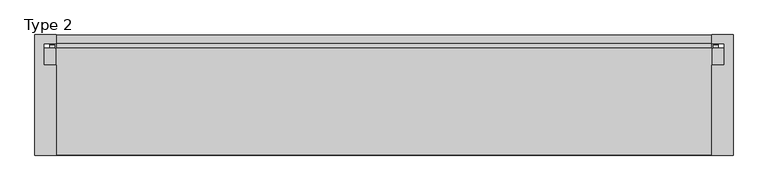
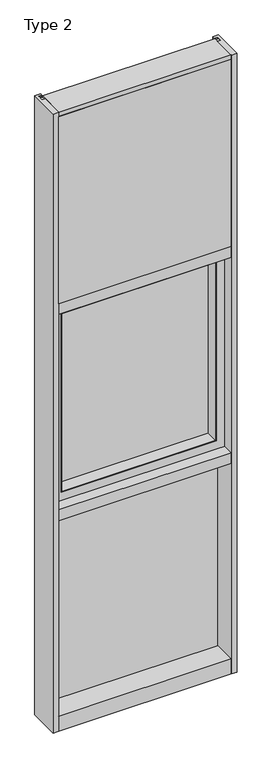
"""IFC4 building model written with IfcOpenShell, lengths in millimetres: plate geometry, Type 2."""

from ifc_helpers import new_model, si_unit, point, frame, frame_2d, origin, place, context, project, spatial, polyline, circle_curve, trimmed, segment, composite_curve, outline, extrude, faceted_brep, source, transform, mapped, element, save


def type_2_b6935525(model_context):
    return source(origin(), model_context, "Body", "SolidModel", [
        extrude(outline(composite_curve([segment(polyline([(-482.6765008, 34.0361122), (-483.0874462, 27.686), (-484.0539521, 27.686), (-484.0814595, 31.7563748)]), True, "CONTINUOUS"), segment(trimmed(circle_curve(frame_2d((-484.716445, 31.7520836)), 0.635), [point((-484.0814595, 31.7563748))], [point((-484.6813642, 32.3861138))], True, "CARTESIAN"), True, "CONTINUOUS"), segment(polyline([(-484.6813642, 32.3861138), (-491.4367251, 32.7598869)]), True, "CONTINUOUS"), segment(trimmed(circle_curve(frame_2d((-491.2541718, 33.7593519)), 1.016), [point((-491.4367251, 32.7598869))], [point((-492.2317504, 34.0361122))], False, "CARTESIAN"), True, "CONTINUOUS"), segment(polyline([(-492.2317504, 34.0361122), (-482.6765008, 34.0361122)]), True, "CONTINUOUS")], self_intersect=False)), frame((0.0, 0.0, 2459.3728643), z_axis=(0.0, 0.0, 1.0), x_axis=(1.0, 0.0, 0.0)), (0.0, 0.0, 1.0), 1134.7271357),
        extrude(outline(composite_curve([segment(polyline([(483.0874462, 27.686), (482.6765008, 34.0361122), (492.2317504, 34.0361122)]), True, "CONTINUOUS"), segment(trimmed(circle_curve(frame_2d((491.2541718, 33.7593519)), 1.016), [point((492.2317504, 34.0361122))], [point((491.4367251, 32.7598869))], False, "CARTESIAN"), True, "CONTINUOUS"), segment(polyline([(491.4367251, 32.7598869), (484.6813642, 32.3861138)]), True, "CONTINUOUS"), segment(trimmed(circle_curve(frame_2d((484.716445, 31.7520836)), 0.635), [point((484.6813642, 32.3861138))], [point((484.0814595, 31.7563748))], True, "CARTESIAN"), True, "CONTINUOUS"), segment(polyline([(484.0814595, 31.7563748), (484.0539521, 27.686), (483.0874462, 27.686)]), True, "CONTINUOUS")], self_intersect=False)), frame((0.0, 0.0, 2459.3728643), z_axis=(0.0, 0.0, 1.0), x_axis=(1.0, 0.0, 0.0)), (0.0, 0.0, 1.0), 1134.7271357),
        extrude(outline(polyline([(34.0361122, 2459.3728643), (27.686, 2459.3728643), (27.686, 2471.8771952), (34.0361122, 2470.1238955), (34.0361122, 2459.3728643)])), frame((-492.2317504, 0.0, 0.0), z_axis=(1.0, 0.0, 0.0), x_axis=(0.0, 1.0, 0.0)), (0.0, 0.0, 1.0), 984.4635007),
        extrude(outline(polyline([(482.6, -48.514), (482.6, -131.0159103), (-482.6, -131.0159103), (-482.6, -48.514), (482.6, -48.514)])), frame((0.0, 0.0, 2470.15), z_axis=(0.0, 0.0, 1.0), x_axis=(1.0, 0.0, 0.0)), (0.0, 0.0, 1.0), 1104.9),
        extrude(outline(polyline([(501.65, 27.686), (501.65, 2.286), (-501.65, 2.286), (-501.65, 27.686), (501.65, 27.686)])), frame((0.0, 0.0, 2451.1), z_axis=(0.0, 0.0, 1.0), x_axis=(1.0, 0.0, 0.0)), (0.0, 0.0, 1.0), 1143.0),
        extrude(outline(polyline([(-514.35, -130.5814), (-514.35, 47.2186), (-482.5989108, 47.2186), (-482.5989108, 34.036), (-501.65, 34.036), (-501.65, 2.286), (-482.6, 2.286), (-482.6, -130.5814), (-514.35, -130.5814)])), frame((0.0, 0.0, -57.15), z_axis=(0.0, 0.0, 1.0), x_axis=(1.0, 0.0, 0.0)), (0.0, 0.0, 1.0), 3657.6),
        extrude(outline(polyline([(514.35, -130.5814), (482.6, -130.5814), (482.6, 2.286), (501.65, 2.286), (501.65, 34.036), (482.5989108, 34.036), (482.5989108, 47.2186), (514.35, 47.2186), (514.35, -130.5814)])), frame((0.0, 0.0, -57.15), z_axis=(0.0, 0.0, 1.0), x_axis=(1.0, 0.0, 0.0)), (0.0, 0.0, 1.0), 3657.6),
        faceted_brep([(-449.2625, -63.4904804, 1284.2875), (449.2625, -63.4904804, 1284.2875), (449.2625, -63.4904804, 2373.3125), (-449.2625, -63.4904804, 2373.3125), (-431.00625, -63.4904804, 2355.05625), (431.00625, -63.4904804, 2355.05625), (431.00625, -63.4904804, 1302.54375), (-431.00625, -63.4904804, 1302.54375), (449.2625, -7.9279804, 1284.2875), (-449.2625, -7.9279804, 1284.2875), (-464.7836465, -7.9279804, 1268.7663535), (464.7836465, -7.9279804, 1268.7663535), (464.7836465, -7.9279804, 2388.8336465), (-464.7836465, -7.9279804, 2388.8336465), (-449.2625, -7.9279804, 2373.3125), (449.2625, -7.9279804, 2373.3125), (-482.6, -68.2529804, 1250.95), (482.6, -68.2529804, 1250.95), (482.6, -68.2529804, 2406.65), (-482.6, -68.2529804, 2406.65), (-434.18125, -68.2529804, 2358.23125), (434.18125, -68.2529804, 2358.23125), (434.18125, -68.2529804, 1299.36875), (-434.18125, -68.2529804, 1299.36875), (428.625, -68.2529804, 1304.925), (428.625, 1.5875, 1304.925), (-428.625, 1.5875, 1304.925), (-428.625, -68.2529804, 1304.925), (-431.00625, -68.2529804, 1302.54375), (431.00625, -68.2529804, 1302.54375), (431.00625, -68.2529804, 2355.05625), (-431.00625, -68.2529804, 2355.05625), (-428.625, -68.2529804, 2352.675), (428.625, -68.2529804, 2352.675), (464.7836465, -12.4174268, 2388.8336465), (464.7836465, -12.4174268, 1268.7663535), (466.725, -66.0939347, 2390.775), (466.725, -12.4174268, 2390.775), (466.725, -12.4174268, 1266.825), (466.725, -66.0939347, 1266.825), (434.18125, -66.0939347, 2358.23125), (434.18125, -66.0939347, 1299.36875), (-428.625, 1.5875, 2352.675), (428.625, 1.5875, 2352.675), (-464.7836465, -12.4174268, 1268.7663535), (-464.7836465, -12.4174268, 2388.8336465), (-434.18125, -66.0939347, 1299.36875), (-434.18125, -66.0939347, 2358.23125), (-457.21905, 1.5875, 1276.33095), (-457.21905, 26.9875, 1276.33095), (-457.21905, 26.9875, 2381.26905), (-457.21905, 1.5875, 2381.26905), (-482.6, 26.9875, 1250.95), (-482.6, 26.9875, 2406.65), (-466.725, -66.0939347, 1266.825), (-466.725, -12.4174268, 1266.825), (-466.725, -12.4174268, 2390.775), (-466.725, -66.0939347, 2390.775), (457.21905, 26.9875, 2381.26905), (457.21905, 1.5875, 2381.26905), (482.6, 26.9875, 2406.65), (457.21905, 26.9875, 1276.33095), (457.21905, 1.5875, 1276.33095), (482.6, 26.9875, 1250.95)], [[[0, 1, 2, 3], [4, 5, 6, 7]], [[8, 1, 0, 9]], [[10, 11, 12, 13], [14, 15, 8, 9]], [[16, 17, 18, 19], [20, 21, 22, 23]], [[24, 25, 26, 27]], [[28, 29, 30, 31], [32, 33, 24, 27]], [[6, 29, 28, 7]], [[34, 12, 11, 35]], [[36, 37, 38, 39]], [[21, 40, 41, 22]], [[32, 42, 43, 33]], [[14, 3, 2, 15]], [[44, 10, 13, 45]], [[23, 46, 47, 20]], [[48, 49, 50, 51]], [[27, 26, 42, 32]], [[7, 28, 31, 4]], [[52, 16, 19, 53]], [[9, 0, 3, 14]], [[54, 55, 56, 57]], [[51, 50, 58, 59]], [[4, 31, 30, 5]], [[45, 13, 12, 34]], [[57, 56, 37, 36]], [[20, 47, 40, 21]], [[53, 19, 18, 60]], [[59, 58, 61, 62]], [[33, 43, 25, 24]], [[5, 30, 29, 6]], [[15, 2, 1, 8]], [[60, 18, 17, 63]], [[53, 60, 63, 52], [49, 61, 58, 50]], [[62, 61, 49, 48]], [[51, 59, 62, 48], [26, 25, 43, 42]], [[35, 11, 10, 44]], [[55, 38, 37, 56], [45, 34, 35, 44]], [[39, 38, 55, 54]], [[57, 36, 39, 54], [46, 41, 40, 47]], [[22, 41, 46, 23]], [[63, 17, 16, 52]]]),
        extrude(outline(polyline([(457.21905, 26.9875), (457.21905, 1.5875), (-457.21905, 1.5875), (-457.21905, 26.9875), (457.21905, 26.9875)])), frame((0.0, 0.0, 1276.33095), z_axis=(0.0, 0.0, 1.0), x_axis=(1.0, 0.0, 0.0)), (0.0, 0.0, 1.0), 1104.9381),
        extrude(outline(polyline([(27.686, 33.4752684), (34.036, 31.7219997), (34.036, 20.9709644), (27.686, 20.9709644), (27.686, 33.4752684)])), frame((-492.2328713, 0.0, 0.0), z_axis=(1.0, 0.0, 0.0), x_axis=(0.0, 1.0, 0.0)), (0.0, 0.0, 1.0), 984.4657427),
        extrude(outline(polyline([(27.6860992, 1198.2309356), (34.0360992, 1198.2309356), (34.0360992, 1187.4798775), (27.6860992, 1185.7266088), (27.6860992, 1198.2309356)])), frame((-492.2328713, 0.0, 0.0), z_axis=(1.0, 0.0, 0.0), x_axis=(0.0, 1.0, 0.0)), (0.0, 0.0, 1.0), 984.4657427),
        extrude(outline(composite_curve([segment(trimmed(circle_curve(frame_2d((-484.7175342, 31.7520836)), 0.635), [point((-484.0825487, 31.7563748))], [point((-484.6824534, 32.3861138))], True, "CARTESIAN"), True, "CONTINUOUS"), segment(polyline([(-484.6824534, 32.3861138), (-491.4378143, 32.7598869)]), True, "CONTINUOUS"), segment(trimmed(circle_curve(frame_2d((-491.2552611, 33.7593519)), 1.016), [point((-491.4378143, 32.7598869))], [point((-492.2328713, 34.036))], False, "CARTESIAN"), True, "CONTINUOUS"), segment(polyline([(-492.2328713, 34.036), (-482.6775972, 34.036), (-483.0885354, 27.686), (-484.0550413, 27.686), (-484.0825487, 31.7563748)]), True, "CONTINUOUS")], self_intersect=False)), frame((0.0, 0.0, 20.9709644), z_axis=(0.0, 0.0, 1.0), x_axis=(1.0, 0.0, 0.0)), (0.0, 0.0, 1.0), 1177.2580861),
        extrude(outline(composite_curve([segment(polyline([(483.0885354, 27.686), (482.6775972, 34.036), (492.2328713, 34.036)]), True, "CONTINUOUS"), segment(trimmed(circle_curve(frame_2d((491.2552611, 33.7593519)), 1.016), [point((492.2328713, 34.036))], [point((491.4378143, 32.7598869))], False, "CARTESIAN"), True, "CONTINUOUS"), segment(polyline([(491.4378143, 32.7598869), (484.6824534, 32.3861138)]), True, "CONTINUOUS"), segment(trimmed(circle_curve(frame_2d((484.7175342, 31.7520836)), 0.635), [point((484.6824534, 32.3861138))], [point((484.0825487, 31.7563748))], True, "CARTESIAN"), True, "CONTINUOUS"), segment(polyline([(484.0825487, 31.7563748), (484.0550413, 27.686), (483.0885354, 27.686)]), True, "CONTINUOUS")], self_intersect=False)), frame((0.0, 0.0, 20.9709644), z_axis=(0.0, 0.0, 1.0), x_axis=(1.0, 0.0, 0.0)), (0.0, 0.0, 1.0), 1177.2580861),
        extrude(outline(polyline([(501.6510892, 27.686), (501.6510892, 2.286), (-501.6510892, 2.286), (-501.6510892, 27.686), (501.6510892, 27.686)])), frame((0.0, 0.0, 12.6962001), z_axis=(0.0, 0.0, 1.0), x_axis=(1.0, 0.0, 0.0)), (0.0, 0.0, 1.0), 1193.8037999),
        extrude(outline(polyline([(0.0, 2470.15), (0.0, 2451.1), (34.13125, 2451.1), (34.13125, 2470.1462001), (46.83125, 2470.1462001), (46.83125, 2406.6462001), (34.13125, 2406.6462001), (34.13125, 2425.7), (0.0, 2425.7), (0.0, 2406.65), (-130.175, 2406.65), (-130.175, 2470.15), (0.0, 2470.15)])), frame((-482.6, 0.0, 0.0), z_axis=(1.0, 0.0, 0.0), x_axis=(0.0, 1.0, 0.0)), (0.0, 0.0, 1.0), 965.2),
        extrude(outline(polyline([(-130.0734, 3600.45), (27.686, 3600.45), (27.686, 3594.1), (0.0, 3594.1), (0.0, 3575.051832), (-130.0734, 3575.051832), (-130.0734, 3600.45)])), frame((-482.6, 0.0, 0.0), z_axis=(1.0, 0.0, 0.0), x_axis=(0.0, 1.0, 0.0)), (0.0, 0.0, 1.0), 965.2),
        extrude(outline(polyline([(0.0, 1250.95), (0.0, 1231.9), (34.13125, 1231.9), (34.13125, 1250.9462001), (46.83125, 1250.9462001), (46.83125, 1187.4462001), (34.13125, 1187.4462001), (34.13125, 1206.5), (0.0, 1206.5), (0.0, 1187.45), (-130.175, 1187.45), (-130.175, 1250.95), (0.0, 1250.95)])), frame((-482.6, 0.0, 0.0), z_axis=(1.0, 0.0, 0.0), x_axis=(0.0, 1.0, 0.0)), (0.0, 0.0, 1.0), 965.2),
        extrude(outline(polyline([(0.0, 31.75), (0.0, 12.7), (34.13125, 12.7), (34.13125, 31.751832), (47.2186148, 31.751832), (47.2186148, -57.15), (-130.175, -57.15), (-130.175, 31.75), (0.0, 31.75)])), frame((-482.6, 0.0, 0.0), z_axis=(1.0, 0.0, 0.0), x_axis=(0.0, 1.0, 0.0)), (0.0, 0.0, 1.0), 965.2),
    ])


if __name__ == "__main__":
    model = new_model("IFC4")
    model_context = context("Model", 3, world=origin())
    ifc_project = project(units=[si_unit("LENGTHUNIT", "METRE", prefix="MILLI")], contexts=[model_context])
    site = spatial("IfcSite", under=ifc_project)
    building = spatial("IfcBuilding", under=site)
    placement = place(None, origin())
    type_2_shape = type_2_b6935525(model_context)
    element("IfcPlate", 1, ObjectType="Type 2", at=placement, inside=building, context=model_context, shape_type="MappedRepresentation", body=[
        mapped(type_2_shape, transform((0.0, 0.0, 0.0), x_axis=(1.0, 0.0, 0.0), y_axis=(0.0, 1.0, 0.0), z_axis=(0.0, 0.0, 1.0))),
    ])
    save(model, "model.ifc")
